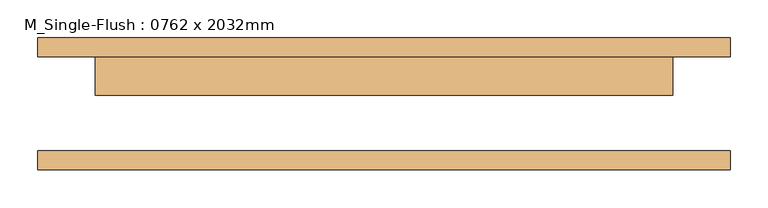
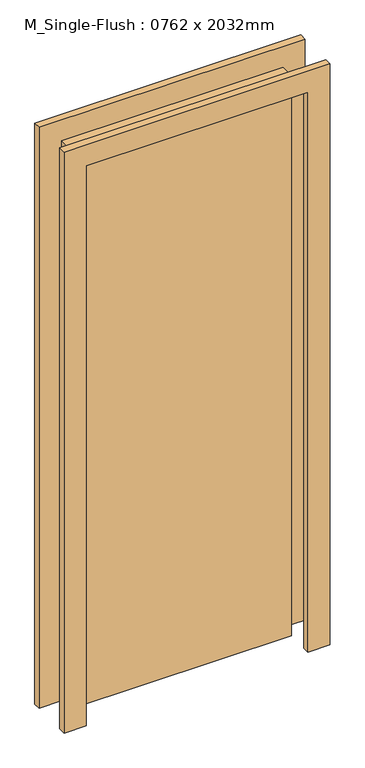
"""IFC4 building model written with IfcOpenShell, lengths in millimetres: door geometry, M_Single-Flush : 0762 x 2032mm."""

from ifc_helpers import new_model, si_unit, frame, origin, origin_with_axes, place, context, project, spatial, polyline, outline, extrude, source, transform, mapped, element, save


def m_single_flush_0762_x_2032mm_e53dc8c7(model_context):
    return source(origin(), model_context, "Body", "SweptSolid", [
        extrude(outline(polyline([(2108.0, -457.0), (0.0, -457.0), (0.0, -381.0), (2032.0, -381.0), (2032.0, 381.0), (0.0, 381.0), (0.0, 457.0), (2108.0, 457.0), (2108.0, -457.0)])), frame((0.0, 62.0, 0.0), z_axis=(0.0, 1.0, 0.0), x_axis=(0.0, 0.0, 1.0)), (0.0, 0.0, 1.0), 25.0),
        extrude(outline(polyline([(2108.0, 457.0), (2108.0, -457.0), (0.0, -457.0), (0.0, -381.0), (2032.0, -381.0), (2032.0, 381.0), (0.0, 381.0), (0.0, 457.0), (2108.0, 457.0)])), frame((0.0, -87.0, 0.0), z_axis=(0.0, 1.0, 0.0), x_axis=(0.0, 0.0, 1.0)), (0.0, 0.0, 1.0), 25.0),
        extrude(outline(polyline([(381.0, 11.0), (-381.0, 11.0), (-381.0, 62.0), (381.0, 62.0), (381.0, 11.0)])), origin_with_axes(), (0.0, 0.0, 1.0), 2032.0),
    ])


if __name__ == "__main__":
    model = new_model("IFC4")
    model_context = context("Model", 3, world=origin())
    ifc_project = project(units=[si_unit("LENGTHUNIT", "METRE", prefix="MILLI")], contexts=[model_context])
    site = spatial("IfcSite", under=ifc_project)
    building = spatial("IfcBuilding", under=site)
    placement = place(None, origin())
    m_single_flush_0762_x_2032mm_shape = m_single_flush_0762_x_2032mm_e53dc8c7(model_context)
    element("IfcDoor", 1, ObjectType="M_Single-Flush : 0762 x 2032mm", at=placement, inside=building, context=model_context, shape_type="MappedRepresentation", body=[
        mapped(m_single_flush_0762_x_2032mm_shape, transform((0.0, 0.0, 0.0), x_axis=(1.0, 0.0, 0.0), y_axis=(0.0, 1.0, 0.0), z_axis=(0.0, 0.0, 1.0))),
    ])
    save(model, "model.ifc")
